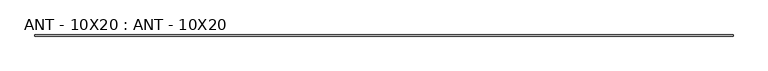
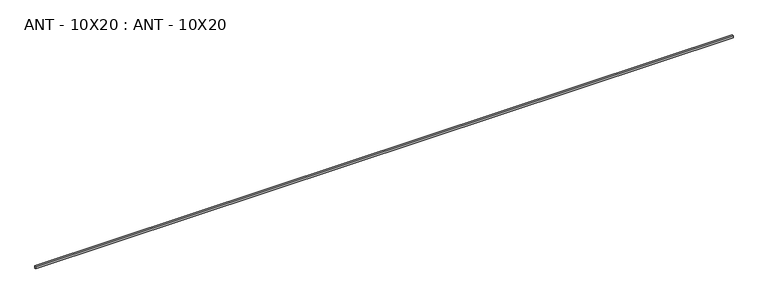
"""IFC4 building model written with IfcOpenShell, lengths in millimetres: proxy geometry, ANT - 10X20 : ANT - 10X20."""

import ifcopenshell
import ifcopenshell.guid

model = None  # the IFC model being written
_history = None  # IfcOwnerHistory: only IFC2X3 demands one
_inside = {}  # id of a spatial element -> (the spatial element, [elements in it])
_under = {}  # id of a project, library or spatial element -> (it, [spatial elements below it])
_declared = {}  # id of a project -> (the project, [libraries it declares])
_typed = {}  # id of a type object -> (the type object, [elements of that type])
_made_of = {}  # id of a material, layer set ... -> (it, [elements and type objects made of it])


def new_model(schema):
    """Start an empty IFC model of exactly this schema.

    Asked for "IFC4X3", IfcOpenShell would pick the latest addendum, in which some entities
    have other attributes; the version numbers below select the first issue.
    IFC2X3 requires an IfcOwnerHistory on every rooted entity: one is made here for all.
    """
    global model, _history
    if schema == "IFC4X3":
        model = ifcopenshell.file(schema_version=(4, 3, 0, 0))
    else:
        model = ifcopenshell.file(schema=schema)
    _inside.clear()
    _under.clear()
    _declared.clear()
    _typed.clear()
    _made_of.clear()
    _history = None
    if model.schema == "IFC2X3":
        org = make("IfcOrganization", Name="unknown")
        user = make(
            "IfcPersonAndOrganization",
            ThePerson=make("IfcPerson", FamilyName="unknown"),
            TheOrganization=org,
        )
        app = make(
            "IfcApplication",
            ApplicationDeveloper=org,
            Version="unknown",
            ApplicationFullName="unknown",
            ApplicationIdentifier="unknown",
        )
        _history = make(
            "IfcOwnerHistory",
            OwningUser=user,
            OwningApplication=app,
            ChangeAction="ADDED",
            CreationDate=0,
        )
    return model


def make(cls, **values):
    """One entity of the class cls with the attributes given. An attribute that is None is left unset."""
    return model.create_entity(
        cls, **{name: value for name, value in values.items() if value is not None}
    )


def rooted(cls, **values):
    """An entity with a GlobalId (a new one), such as an element, a storey or a relation."""
    return make(cls, GlobalId=ifcopenshell.guid.new(), OwnerHistory=_history, **values)


def si_unit(unit_type, name, prefix=None):
    """IfcSIUnit, for example si_unit("LENGTHUNIT", "METRE", prefix="MILLI")."""
    return make("IfcSIUnit", UnitType=unit_type, Prefix=prefix, Name=name)


def assignment(units):
    """IfcUnitAssignment: the units of a project."""
    return None if units is None else make("IfcUnitAssignment", Units=units)


def point(xyz):
    """IfcCartesianPoint."""
    return None if xyz is None else make("IfcCartesianPoint", Coordinates=xyz)


def direction(xyz):
    """IfcDirection."""
    return None if xyz is None else make("IfcDirection", DirectionRatios=xyz)


def frame(location, z_axis=None, x_axis=None):
    """IfcAxis2Placement3D, a coordinate frame: its origin and axes. An axis left out is left unset."""
    return make(
        "IfcAxis2Placement3D",
        Location=point(location),
        Axis=direction(z_axis),
        RefDirection=direction(x_axis),
    )


def origin():
    """The frame at (0, 0, 0) with its axes left unset."""
    return frame((0.0, 0.0, 0.0))


def origin_with_axes():
    """The frame at (0, 0, 0) with the z axis (0, 0, 1) and the x axis (1, 0, 0) written out."""
    return frame((0.0, 0.0, 0.0), z_axis=(0.0, 0.0, 1.0), x_axis=(1.0, 0.0, 0.0))


def place(relative_to, where):
    """IfcLocalPlacement: puts the frame where relative to a parent placement (None: the world)."""
    return make(
        "IfcLocalPlacement", PlacementRelTo=relative_to, RelativePlacement=where
    )


def context(
    kind, dimensions, precision=None, world=None, true_north=None, identifier=None
):
    """IfcGeometricRepresentationContext, for example the 3D "Model" context."""
    return make(
        "IfcGeometricRepresentationContext",
        ContextIdentifier=identifier,
        ContextType=kind,
        CoordinateSpaceDimension=dimensions,
        Precision=precision,
        WorldCoordinateSystem=world,
        TrueNorth=true_north,
    )


def project(units=None, contexts=None):
    """IfcProject with its units and contexts."""
    return rooted(
        "IfcProject",
        Name="project",
        RepresentationContexts=contexts,
        UnitsInContext=assignment(units),
    )


def spatial(cls, under=None, at=None, **own):
    """A site, building, storey or space (cls), placed at a placement, below another one or the project."""
    s = rooted(cls, ObjectPlacement=at, **own)
    if under is not None:
        _under.setdefault(under.id(), (under, []))[1].append(s)
    return s


def polyline(points):
    """IfcPolyline through the points."""
    return make("IfcPolyline", Points=[point(p) for p in points])


def outline(outer, holes=None, kind="AREA"):
    """IfcArbitraryClosedProfileDef: a profile drawn as a closed curve; with holes, ...WithVoids."""
    if holes is None:
        return make("IfcArbitraryClosedProfileDef", ProfileType=kind, OuterCurve=outer)
    return make(
        "IfcArbitraryProfileDefWithVoids",
        ProfileType=kind,
        OuterCurve=outer,
        InnerCurves=holes,
    )


def extrude(swept, where, along, depth):
    """IfcExtrudedAreaSolid: the profile swept, set in the frame where, extruded along a direction by depth."""
    return make(
        "IfcExtrudedAreaSolid",
        SweptArea=swept,
        Position=where,
        ExtrudedDirection=direction(along),
        Depth=depth,
    )


def shape(context_of_items, identifier, shape_type, items):
    """IfcShapeRepresentation: the items that make up one representation, for example the "Body"."""
    return make(
        "IfcShapeRepresentation",
        ContextOfItems=context_of_items,
        RepresentationIdentifier=identifier,
        RepresentationType=shape_type,
        Items=items,
    )


def source(mapping_origin, context_of_items, identifier, shape_type, items):
    """IfcRepresentationMap: a shape defined once, which mapped items show again and again."""
    return make(
        "IfcRepresentationMap",
        MappingOrigin=mapping_origin,
        MappedRepresentation=shape(context_of_items, identifier, shape_type, items),
    )


def transform(
    local_origin,
    x_axis=None,
    y_axis=None,
    z_axis=None,
    scale=None,
    scale2=None,
    scale3=None,
    uniform=True,
):
    """IfcCartesianTransformationOperator3D, or its non-uniform kind. x_axis, y_axis, z_axis: its Axis1, 2, 3."""
    if uniform:
        return make(
            "IfcCartesianTransformationOperator3D",
            Axis1=direction(x_axis),
            Axis2=direction(y_axis),
            LocalOrigin=point(local_origin),
            Scale=scale,
            Axis3=direction(z_axis),
        )
    return make(
        "IfcCartesianTransformationOperator3DnonUniform",
        Axis1=direction(x_axis),
        Axis2=direction(y_axis),
        LocalOrigin=point(local_origin),
        Scale=scale,
        Axis3=direction(z_axis),
        Scale2=scale2,
        Scale3=scale3,
    )


def mapped(mapping_source, mapping_target):
    """IfcMappedItem: shows the shape of a source again, moved by a transform."""
    return make(
        "IfcMappedItem", MappingSource=mapping_source, MappingTarget=mapping_target
    )


def made_of(thing, what):
    """Note that an element or type object is made of a material, layer set ...; save() writes the relation."""
    if what is not None:
        _made_of.setdefault(what.id(), (what, []))[1].append(thing)
    return thing


def element(
    cls,
    number,
    at=None,
    inside=None,
    cuts=None,
    type_object=None,
    material=None,
    context=None,
    identifier="Body",
    shape_type=None,
    held_by="IfcProductDefinitionShape",
    body=None,
    shapes=None,
    **own,
):
    """One element of the class cls, such as IfcWall. Its Tag is "e" and its number.

    at: its placement. inside: the storey or other place that contains it. cuts: it is an
    opening in that element (IfcRelVoidsElement). A single representation is given by context,
    identifier, shape_type and body (its items); several are given by shapes. held_by: the class
    of the entity that holds the representations. save() writes the other relations.
    """
    e = rooted(cls, Tag="e%d" % number, ObjectPlacement=at, **own)
    if body is not None:
        shapes = [shape(context, identifier, shape_type, body)]
    if shapes is not None:
        e.Representation = make(held_by, Representations=shapes)
    if inside is not None:
        _inside.setdefault(inside.id(), (inside, []))[1].append(e)
    if cuts is not None:
        rooted(
            "IfcRelVoidsElement", RelatingBuildingElement=cuts, RelatedOpeningElement=e
        )
    if type_object is not None:
        _typed.setdefault(type_object.id(), (type_object, []))[1].append(e)
    return made_of(e, material)


def aggregate(whole, parts):
    """IfcRelAggregates: a whole, such as a stair, and the parts it consists of."""
    return rooted("IfcRelAggregates", RelatingObject=whole, RelatedObjects=parts)


def save(model, path):
    """Write the relations noted so far, then the file.

    IfcRelAggregates (storeys below a building ...), IfcRelContainedInSpatialStructure (elements
    in a storey), IfcRelDefinesByType, IfcRelAssociatesMaterial and IfcRelDeclares: one each for
    every whole, place, type object, material and project.
    """
    for whole, parts in _under.values():
        aggregate(whole, parts)
    for where, things in _inside.values():
        rooted(
            "IfcRelContainedInSpatialStructure",
            RelatedElements=things,
            RelatingStructure=where,
        )
    for kind, things in _typed.values():
        rooted("IfcRelDefinesByType", RelatedObjects=things, RelatingType=kind)
    for what, things in _made_of.values():
        rooted("IfcRelAssociatesMaterial", RelatedObjects=things, RelatingMaterial=what)
    for by, libraries in _declared.values():
        rooted("IfcRelDeclares", RelatingContext=by, RelatedDefinitions=libraries)
    model.write(path)


def ant_10x20_ant_10x20_8c535c90(model_context):
    return source(origin(), model_context, "Body", "SweptSolid", [
        extrude(outline(polyline([(6014.0, 5.0), (6014.0, -5.0), (0.0, -5.0), (0.0, 5.0), (6014.0, 5.0)])), origin_with_axes(), (0.0, 0.0, 1.0), 20.0),
    ])


if __name__ == "__main__":
    model = new_model("IFC4")
    model_context = context("Model", 3, world=origin())
    ifc_project = project(units=[si_unit("LENGTHUNIT", "METRE", prefix="MILLI")], contexts=[model_context])
    site = spatial("IfcSite", under=ifc_project)
    building = spatial("IfcBuilding", under=site)
    placement = place(None, origin())
    ant_10x20_ant_10x20_shape = ant_10x20_ant_10x20_8c535c90(model_context)
    element("IfcBuildingElementProxy", 1, Name="ANT - 10X20 : ANT - 10X20", ObjectType="ANT - 10X20 : ANT - 10X20", at=placement, inside=building, context=model_context, shape_type="MappedRepresentation", body=[
        mapped(ant_10x20_ant_10x20_shape, transform((0.0, 0.0, 0.0), x_axis=(1.0, 0.0, 0.0), y_axis=(0.0, 1.0, 0.0), z_axis=(0.0, 0.0, 1.0))),
    ])
    save(model, "model.ifc")
